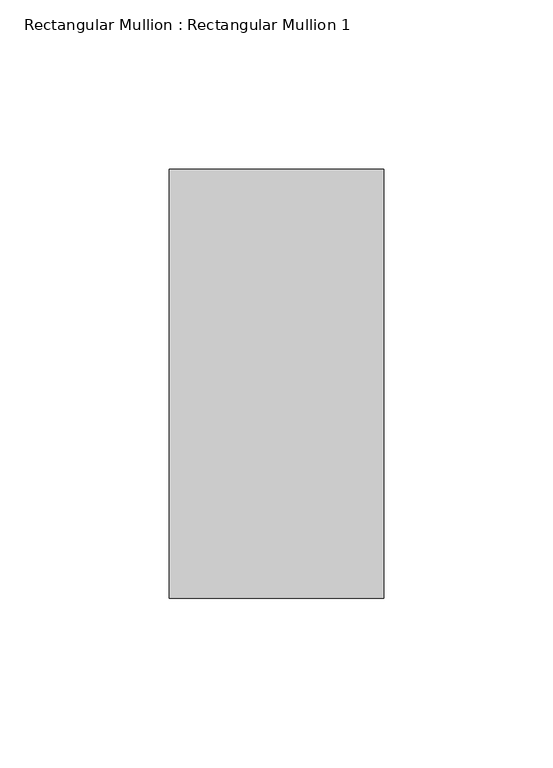
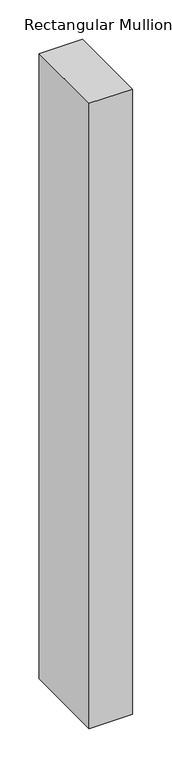
"""IFC4 building model written with IfcOpenShell, lengths in millimetres: member geometry, Rectangular Mullion : Rectangular Mullion 1."""

from ifc_helpers import new_model, si_unit, frame, origin, place, context, project, spatial, polyline, outline, extrude, source, transform, mapped, element, save


def rectangular_mullion_rectangular_mullion_1_43f49249(model_context):
    return source(origin(), model_context, "Body", "SweptSolid", [
        extrude(outline(polyline([(31.75, 63.5), (31.75, -63.5), (-31.75, -63.5), (-31.75, 63.5), (31.75, 63.5)])), frame((0.0, 0.0, -968.25), z_axis=(0.0, 0.0, 1.0), x_axis=(1.0, 0.0, 0.0)), (0.0, 0.0, 1.0), 968.25),
    ])


if __name__ == "__main__":
    model = new_model("IFC4")
    model_context = context("Model", 3, world=origin())
    ifc_project = project(units=[si_unit("LENGTHUNIT", "METRE", prefix="MILLI")], contexts=[model_context])
    site = spatial("IfcSite", under=ifc_project)
    building = spatial("IfcBuilding", under=site)
    placement = place(None, origin())
    rectangular_mullion_rectangular_mullion_1_shape = rectangular_mullion_rectangular_mullion_1_43f49249(model_context)
    element("IfcMember", 1, ObjectType="Rectangular Mullion : Rectangular Mullion 1", at=placement, inside=building, context=model_context, shape_type="MappedRepresentation", body=[
        mapped(rectangular_mullion_rectangular_mullion_1_shape, transform((0.0, 0.0, 0.0), x_axis=(1.0, 0.0, 0.0), y_axis=(0.0, 1.0, 0.0), z_axis=(0.0, 0.0, 1.0))),
    ])
    save(model, "model.ifc")
